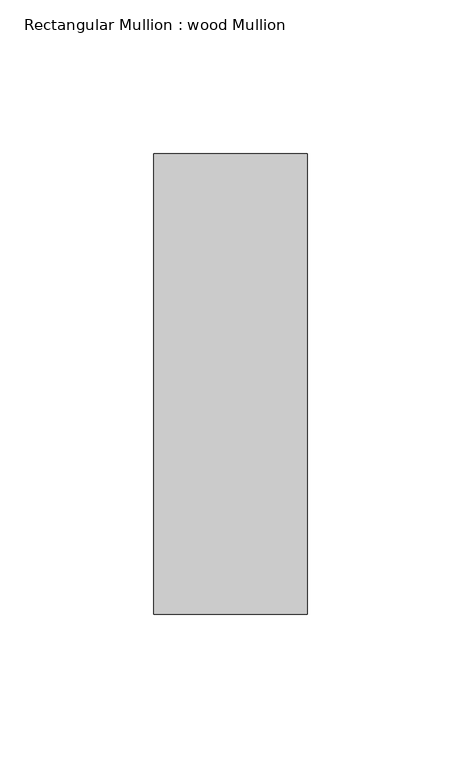
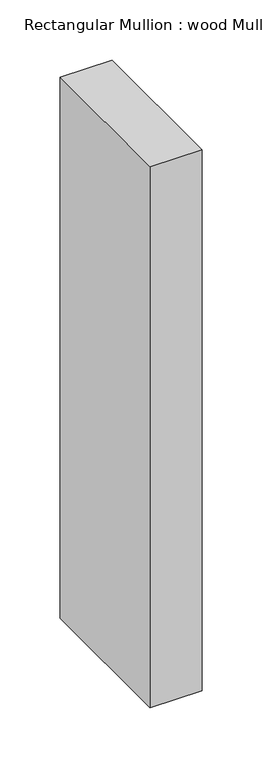
"""IFC4 building model written with IfcOpenShell, lengths in millimetres: member geometry, Rectangular Mullion : wood Mullion."""

import ifcopenshell
import ifcopenshell.guid

model = None  # the IFC model being written
_history = None  # IfcOwnerHistory: only IFC2X3 demands one
_inside = {}  # id of a spatial element -> (the spatial element, [elements in it])
_under = {}  # id of a project, library or spatial element -> (it, [spatial elements below it])
_declared = {}  # id of a project -> (the project, [libraries it declares])
_typed = {}  # id of a type object -> (the type object, [elements of that type])
_made_of = {}  # id of a material, layer set ... -> (it, [elements and type objects made of it])


def new_model(schema):
    """Start an empty IFC model of exactly this schema.

    Asked for "IFC4X3", IfcOpenShell would pick the latest addendum, in which some entities
    have other attributes; the version numbers below select the first issue.
    IFC2X3 requires an IfcOwnerHistory on every rooted entity: one is made here for all.
    """
    global model, _history
    if schema == "IFC4X3":
        model = ifcopenshell.file(schema_version=(4, 3, 0, 0))
    else:
        model = ifcopenshell.file(schema=schema)
    _inside.clear()
    _under.clear()
    _declared.clear()
    _typed.clear()
    _made_of.clear()
    _history = None
    if model.schema == "IFC2X3":
        org = make("IfcOrganization", Name="unknown")
        user = make(
            "IfcPersonAndOrganization",
            ThePerson=make("IfcPerson", FamilyName="unknown"),
            TheOrganization=org,
        )
        app = make(
            "IfcApplication",
            ApplicationDeveloper=org,
            Version="unknown",
            ApplicationFullName="unknown",
            ApplicationIdentifier="unknown",
        )
        _history = make(
            "IfcOwnerHistory",
            OwningUser=user,
            OwningApplication=app,
            ChangeAction="ADDED",
            CreationDate=0,
        )
    return model


def make(cls, **values):
    """One entity of the class cls with the attributes given. An attribute that is None is left unset."""
    return model.create_entity(
        cls, **{name: value for name, value in values.items() if value is not None}
    )


def rooted(cls, **values):
    """An entity with a GlobalId (a new one), such as an element, a storey or a relation."""
    return make(cls, GlobalId=ifcopenshell.guid.new(), OwnerHistory=_history, **values)


def si_unit(unit_type, name, prefix=None):
    """IfcSIUnit, for example si_unit("LENGTHUNIT", "METRE", prefix="MILLI")."""
    return make("IfcSIUnit", UnitType=unit_type, Prefix=prefix, Name=name)


def assignment(units):
    """IfcUnitAssignment: the units of a project."""
    return None if units is None else make("IfcUnitAssignment", Units=units)


def point(xyz):
    """IfcCartesianPoint."""
    return None if xyz is None else make("IfcCartesianPoint", Coordinates=xyz)


def direction(xyz):
    """IfcDirection."""
    return None if xyz is None else make("IfcDirection", DirectionRatios=xyz)


def frame(location, z_axis=None, x_axis=None):
    """IfcAxis2Placement3D, a coordinate frame: its origin and axes. An axis left out is left unset."""
    return make(
        "IfcAxis2Placement3D",
        Location=point(location),
        Axis=direction(z_axis),
        RefDirection=direction(x_axis),
    )


def origin():
    """The frame at (0, 0, 0) with its axes left unset."""
    return frame((0.0, 0.0, 0.0))


def place(relative_to, where):
    """IfcLocalPlacement: puts the frame where relative to a parent placement (None: the world)."""
    return make(
        "IfcLocalPlacement", PlacementRelTo=relative_to, RelativePlacement=where
    )


def context(
    kind, dimensions, precision=None, world=None, true_north=None, identifier=None
):
    """IfcGeometricRepresentationContext, for example the 3D "Model" context."""
    return make(
        "IfcGeometricRepresentationContext",
        ContextIdentifier=identifier,
        ContextType=kind,
        CoordinateSpaceDimension=dimensions,
        Precision=precision,
        WorldCoordinateSystem=world,
        TrueNorth=true_north,
    )


def project(units=None, contexts=None):
    """IfcProject with its units and contexts."""
    return rooted(
        "IfcProject",
        Name="project",
        RepresentationContexts=contexts,
        UnitsInContext=assignment(units),
    )


def spatial(cls, under=None, at=None, **own):
    """A site, building, storey or space (cls), placed at a placement, below another one or the project."""
    s = rooted(cls, ObjectPlacement=at, **own)
    if under is not None:
        _under.setdefault(under.id(), (under, []))[1].append(s)
    return s


def polyline(points):
    """IfcPolyline through the points."""
    return make("IfcPolyline", Points=[point(p) for p in points])


def outline(outer, holes=None, kind="AREA"):
    """IfcArbitraryClosedProfileDef: a profile drawn as a closed curve; with holes, ...WithVoids."""
    if holes is None:
        return make("IfcArbitraryClosedProfileDef", ProfileType=kind, OuterCurve=outer)
    return make(
        "IfcArbitraryProfileDefWithVoids",
        ProfileType=kind,
        OuterCurve=outer,
        InnerCurves=holes,
    )


def extrude(swept, where, along, depth):
    """IfcExtrudedAreaSolid: the profile swept, set in the frame where, extruded along a direction by depth."""
    return make(
        "IfcExtrudedAreaSolid",
        SweptArea=swept,
        Position=where,
        ExtrudedDirection=direction(along),
        Depth=depth,
    )


def shape(context_of_items, identifier, shape_type, items):
    """IfcShapeRepresentation: the items that make up one representation, for example the "Body"."""
    return make(
        "IfcShapeRepresentation",
        ContextOfItems=context_of_items,
        RepresentationIdentifier=identifier,
        RepresentationType=shape_type,
        Items=items,
    )


def source(mapping_origin, context_of_items, identifier, shape_type, items):
    """IfcRepresentationMap: a shape defined once, which mapped items show again and again."""
    return make(
        "IfcRepresentationMap",
        MappingOrigin=mapping_origin,
        MappedRepresentation=shape(context_of_items, identifier, shape_type, items),
    )


def transform(
    local_origin,
    x_axis=None,
    y_axis=None,
    z_axis=None,
    scale=None,
    scale2=None,
    scale3=None,
    uniform=True,
):
    """IfcCartesianTransformationOperator3D, or its non-uniform kind. x_axis, y_axis, z_axis: its Axis1, 2, 3."""
    if uniform:
        return make(
            "IfcCartesianTransformationOperator3D",
            Axis1=direction(x_axis),
            Axis2=direction(y_axis),
            LocalOrigin=point(local_origin),
            Scale=scale,
            Axis3=direction(z_axis),
        )
    return make(
        "IfcCartesianTransformationOperator3DnonUniform",
        Axis1=direction(x_axis),
        Axis2=direction(y_axis),
        LocalOrigin=point(local_origin),
        Scale=scale,
        Axis3=direction(z_axis),
        Scale2=scale2,
        Scale3=scale3,
    )


def mapped(mapping_source, mapping_target):
    """IfcMappedItem: shows the shape of a source again, moved by a transform."""
    return make(
        "IfcMappedItem", MappingSource=mapping_source, MappingTarget=mapping_target
    )


def made_of(thing, what):
    """Note that an element or type object is made of a material, layer set ...; save() writes the relation."""
    if what is not None:
        _made_of.setdefault(what.id(), (what, []))[1].append(thing)
    return thing


def element(
    cls,
    number,
    at=None,
    inside=None,
    cuts=None,
    type_object=None,
    material=None,
    context=None,
    identifier="Body",
    shape_type=None,
    held_by="IfcProductDefinitionShape",
    body=None,
    shapes=None,
    **own,
):
    """One element of the class cls, such as IfcWall. Its Tag is "e" and its number.

    at: its placement. inside: the storey or other place that contains it. cuts: it is an
    opening in that element (IfcRelVoidsElement). A single representation is given by context,
    identifier, shape_type and body (its items); several are given by shapes. held_by: the class
    of the entity that holds the representations. save() writes the other relations.
    """
    e = rooted(cls, Tag="e%d" % number, ObjectPlacement=at, **own)
    if body is not None:
        shapes = [shape(context, identifier, shape_type, body)]
    if shapes is not None:
        e.Representation = make(held_by, Representations=shapes)
    if inside is not None:
        _inside.setdefault(inside.id(), (inside, []))[1].append(e)
    if cuts is not None:
        rooted(
            "IfcRelVoidsElement", RelatingBuildingElement=cuts, RelatedOpeningElement=e
        )
    if type_object is not None:
        _typed.setdefault(type_object.id(), (type_object, []))[1].append(e)
    return made_of(e, material)


def aggregate(whole, parts):
    """IfcRelAggregates: a whole, such as a stair, and the parts it consists of."""
    return rooted("IfcRelAggregates", RelatingObject=whole, RelatedObjects=parts)


def save(model, path):
    """Write the relations noted so far, then the file.

    IfcRelAggregates (storeys below a building ...), IfcRelContainedInSpatialStructure (elements
    in a storey), IfcRelDefinesByType, IfcRelAssociatesMaterial and IfcRelDeclares: one each for
    every whole, place, type object, material and project.
    """
    for whole, parts in _under.values():
        aggregate(whole, parts)
    for where, things in _inside.values():
        rooted(
            "IfcRelContainedInSpatialStructure",
            RelatedElements=things,
            RelatingStructure=where,
        )
    for kind, things in _typed.values():
        rooted("IfcRelDefinesByType", RelatedObjects=things, RelatingType=kind)
    for what, things in _made_of.values():
        rooted("IfcRelAssociatesMaterial", RelatedObjects=things, RelatingMaterial=what)
    for by, libraries in _declared.values():
        rooted("IfcRelDeclares", RelatingContext=by, RelatedDefinitions=libraries)
    model.write(path)


def rectangular_mullion_wood_mullion_b8dbbb25(model_context):
    return source(origin(), model_context, "Body", "SweptSolid", [
        extrude(outline(polyline([(25.0, 75.0), (25.0, -75.0), (-25.0, -75.0), (-25.0, 75.0), (25.0, 75.0)])), frame((0.0, 0.0, -550.0), z_axis=(0.0, 0.0, 1.0), x_axis=(1.0, 0.0, 0.0)), (0.0, 0.0, 1.0), 550.0),
    ])


if __name__ == "__main__":
    model = new_model("IFC4")
    model_context = context("Model", 3, world=origin())
    ifc_project = project(units=[si_unit("LENGTHUNIT", "METRE", prefix="MILLI")], contexts=[model_context])
    site = spatial("IfcSite", under=ifc_project)
    building = spatial("IfcBuilding", under=site)
    placement = place(None, origin())
    rectangular_mullion_wood_mullion_shape = rectangular_mullion_wood_mullion_b8dbbb25(model_context)
    element("IfcMember", 1, ObjectType="Rectangular Mullion : wood Mullion", at=placement, inside=building, context=model_context, shape_type="MappedRepresentation", body=[
        mapped(rectangular_mullion_wood_mullion_shape, transform((0.0, 0.0, 0.0), x_axis=(1.0, 0.0, 0.0), y_axis=(0.0, 1.0, 0.0), z_axis=(0.0, 0.0, 1.0))),
    ])
    save(model, "model.ifc")
